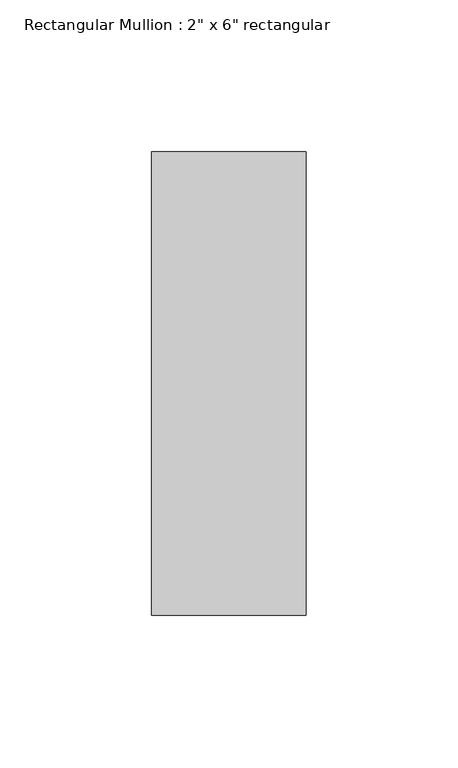
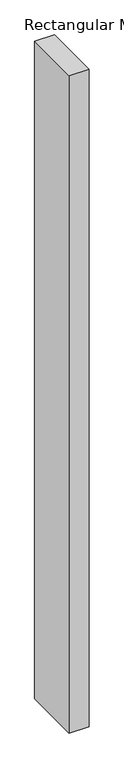
"""IFC4 building model written with IfcOpenShell, lengths in millimetres: member geometry."""

from ifc_helpers import new_model, si_unit, frame, origin, place, context, project, spatial, polyline, outline, extrude, source, transform, mapped, element, save


def member_4e8bc9ea(model_context):
    return source(origin(), model_context, "Body", "SweptSolid", [
        extrude(outline(polyline([(25.4, 76.2), (25.4, -76.2), (-25.4, -76.2), (-25.4, 76.2), (25.4, 76.2)])), frame((0.0, 0.0, -1778.0), z_axis=(0.0, 0.0, 1.0), x_axis=(1.0, 0.0, 0.0)), (0.0, 0.0, 1.0), 1778.0),
    ])


if __name__ == "__main__":
    model = new_model("IFC4")
    model_context = context("Model", 3, world=origin())
    ifc_project = project(units=[si_unit("LENGTHUNIT", "METRE", prefix="MILLI")], contexts=[model_context])
    site = spatial("IfcSite", under=ifc_project)
    building = spatial("IfcBuilding", under=site)
    placement = place(None, origin())
    member_shape = member_4e8bc9ea(model_context)
    element("IfcMember", 1, ObjectType="Rectangular Mullion : 2\" x 6\" rectangular", at=placement, inside=building, context=model_context, shape_type="MappedRepresentation", body=[
        mapped(member_shape, transform((0.0, 0.0, 0.0), x_axis=(1.0, 0.0, 0.0), y_axis=(0.0, 1.0, 0.0), z_axis=(0.0, 0.0, 1.0))),
    ])
    save(model, "model.ifc")
